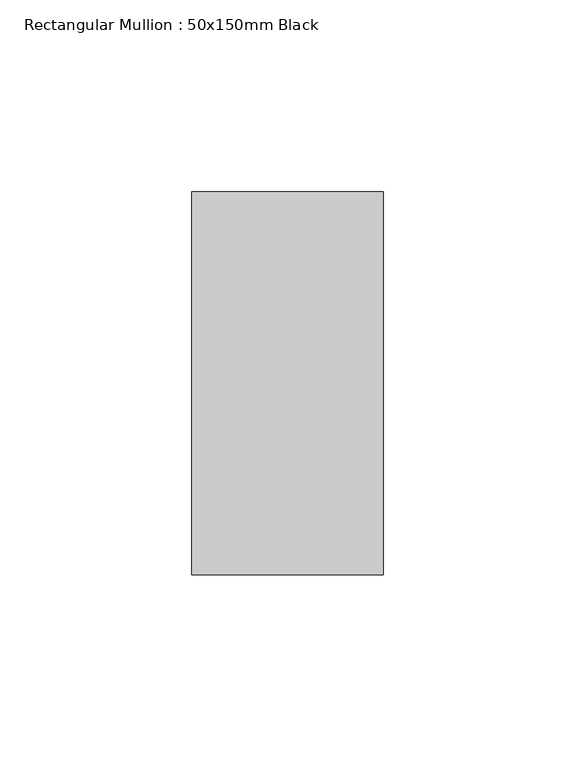
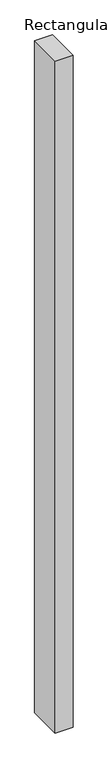
"""IFC4 building model written with IfcOpenShell, lengths in millimetres: member geometry, Rectangular Mullion : 50x150mm Black."""

from ifc_helpers import new_model, si_unit, frame, origin, place, context, project, spatial, polyline, outline, extrude, source, transform, mapped, element, save


def rectangular_mullion_50x150mm_black_b532902c(model_context):
    return source(origin(), model_context, "Body", "SweptSolid", [
        extrude(outline(polyline([(0.0, 50.0), (0.0, -50.0), (-50.0, -50.0), (-50.0, 50.0), (0.0, 50.0)])), frame((0.0, 0.0, -2000.0), z_axis=(0.0, 0.0, 1.0), x_axis=(1.0, 0.0, 0.0)), (0.0, 0.0, 1.0), 2000.0),
    ])


if __name__ == "__main__":
    model = new_model("IFC4")
    model_context = context("Model", 3, world=origin())
    ifc_project = project(units=[si_unit("LENGTHUNIT", "METRE", prefix="MILLI")], contexts=[model_context])
    site = spatial("IfcSite", under=ifc_project)
    building = spatial("IfcBuilding", under=site)
    placement = place(None, origin())
    rectangular_mullion_50x150mm_black_shape = rectangular_mullion_50x150mm_black_b532902c(model_context)
    element("IfcMember", 1, ObjectType="Rectangular Mullion : 50x150mm Black", at=placement, inside=building, context=model_context, shape_type="MappedRepresentation", body=[
        mapped(rectangular_mullion_50x150mm_black_shape, transform((0.0, 0.0, 0.0), x_axis=(1.0, 0.0, 0.0), y_axis=(0.0, 1.0, 0.0), z_axis=(0.0, 0.0, 1.0))),
    ])
    save(model, "model.ifc")
